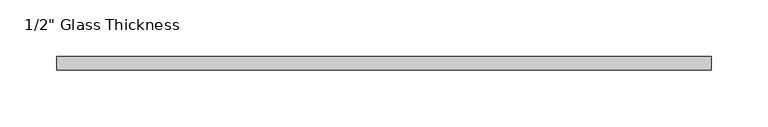
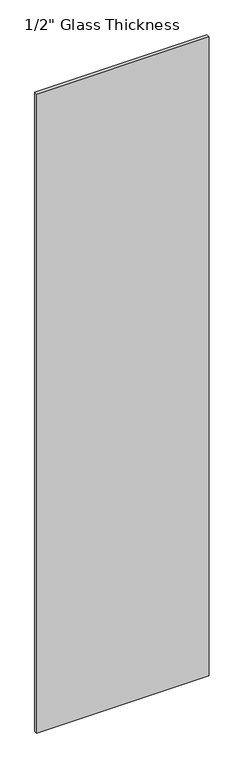
"""IFC4 building model written with IfcOpenShell, lengths in millimetres: plate geometry."""

from ifc_helpers import new_model, si_unit, origin, origin_with_axes, place, context, project, spatial, polyline, outline, extrude, source, transform, mapped, element, save


def plate_09e672ae(model_context):
    return source(origin(), model_context, "Body", "SweptSolid", [
        extrude(outline(polyline([(289.4481802, 0.0), (-289.4481802, 0.0), (-289.4481802, 12.0), (289.4481802, 12.0), (289.4481802, 0.0)])), origin_with_axes(), (0.0, 0.0, 1.0), 2267.0),
    ])


if __name__ == "__main__":
    model = new_model("IFC4")
    model_context = context("Model", 3, world=origin())
    ifc_project = project(units=[si_unit("LENGTHUNIT", "METRE", prefix="MILLI")], contexts=[model_context])
    site = spatial("IfcSite", under=ifc_project)
    building = spatial("IfcBuilding", under=site)
    placement = place(None, origin())
    plate_shape = plate_09e672ae(model_context)
    element("IfcPlate", 1, ObjectType="1/2\" Glass Thickness", at=placement, inside=building, context=model_context, shape_type="MappedRepresentation", body=[
        mapped(plate_shape, transform((0.0, 0.0, 0.0), x_axis=(1.0, 0.0, 0.0), y_axis=(0.0, 1.0, 0.0), z_axis=(0.0, 0.0, 1.0))),
    ])
    save(model, "model.ifc")
